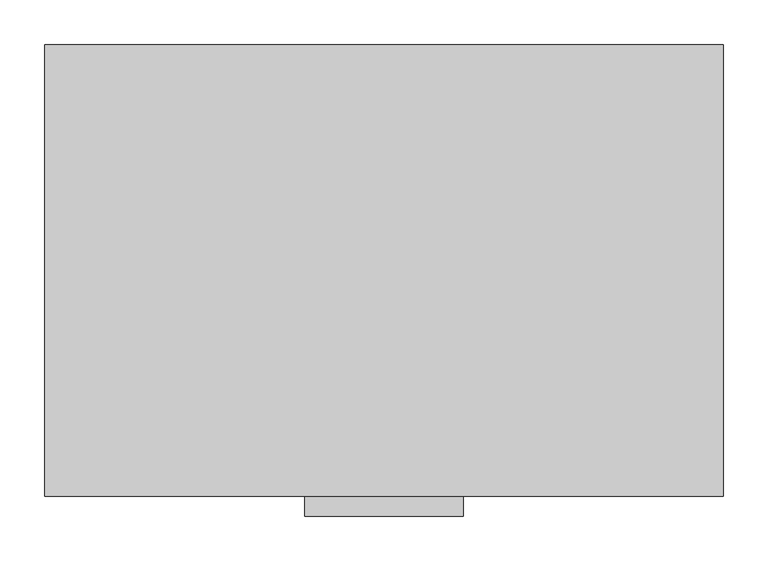
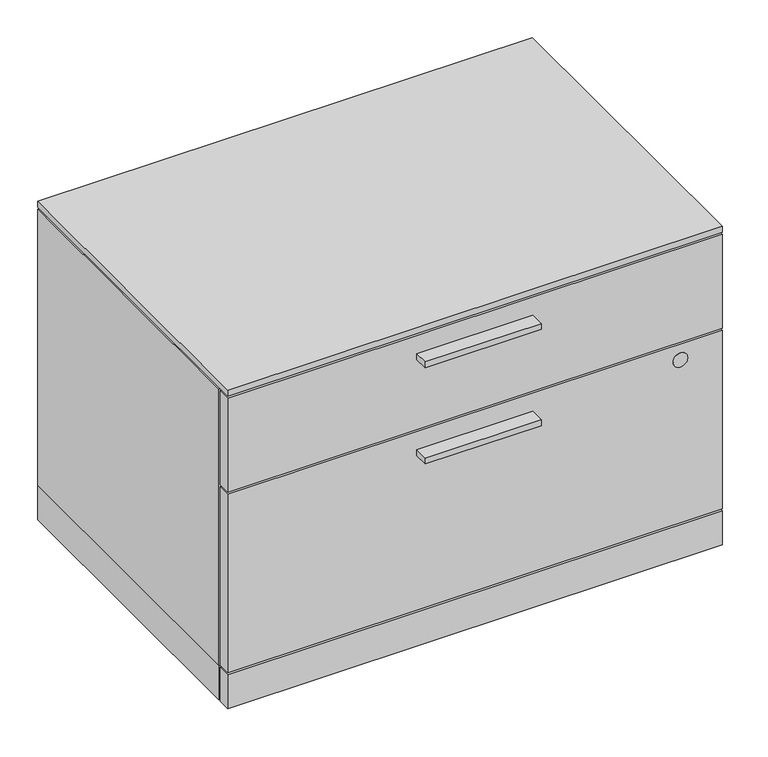
"""IFC4 building model written with IfcOpenShell, lengths in millimetres: furniture geometry."""

from ifc_helpers import new_model, si_unit, point, frame, frame_2d, origin, origin_with_axes, place, context, project, spatial, polyline, circle_curve, trimmed, segment, composite_curve, outline, extrude, source, transform, mapped, element, save


def furniture_84fd7bce(model_context):
    return source(origin(), model_context, "Body", "SweptSolid", [
        extrude(outline(polyline([(469.9, -528.574), (292.1, -528.574), (292.1, -506.349), (469.9, -506.349), (469.9, -528.574)])), frame((0.0, 0.0, 312.1914), z_axis=(0.0, 0.0, 1.0), x_axis=(1.0, 0.0, 0.0)), (0.0, 0.0, 1.0), 9.525),
        extrude(outline(polyline([(469.9, -528.574), (292.1, -528.574), (292.1, -506.349), (469.9, -506.349), (469.9, -528.574)])), frame((0.0, 0.0, 468.1474), z_axis=(0.0, 0.0, 1.0), x_axis=(1.0, 0.0, 0.0)), (0.0, 0.0, 1.0), 9.525),
        extrude(outline(polyline([(760.4125, -1.524), (760.4125, -483.235), (1.5875, -483.235), (1.5875, -1.524), (760.4125, -1.524)])), frame((0.0, 0.0, 3.5814), z_axis=(0.0, 0.0, 1.0), x_axis=(1.0, 0.0, 0.0)), (0.0, 0.0, 1.0), 55.1688),
        extrude(outline(composite_curve([segment(trimmed(circle_curve(frame_2d((326.0344, 696.3283)), 11.176), [point((326.0344, 707.5043))], [point((326.0344, 685.1523))], False, "CARTESIAN"), True, "CONTINUOUS"), segment(trimmed(circle_curve(frame_2d((326.0344, 696.3283)), 11.176), [point((326.0344, 685.1523))], [point((326.0344, 707.5043))], False, "CARTESIAN"), True, "CONTINUOUS")], self_intersect=False)), frame((0.0, -506.603, 0.0), z_axis=(0.0, 1.0, 0.0), x_axis=(0.0, 0.0, 1.0)), (0.0, 0.0, 1.0), 4.69392),
        extrude(outline(polyline([(760.4125, -487.045), (760.4125, -506.349), (1.5875, -506.349), (1.5875, -487.045), (760.4125, -487.045)])), frame((0.0, 0.0, 61.9252), z_axis=(0.0, 0.0, 1.0), x_axis=(1.0, 0.0, 0.0)), (0.0, 0.0, 1.0), 289.5092),
        extrude(outline(polyline([(760.4125, -487.045), (760.4125, -506.349), (1.5875, -506.349), (1.5875, -487.045), (760.4125, -487.045)])), frame((0.0, 0.0, 354.6094), z_axis=(0.0, 0.0, 1.0), x_axis=(1.0, 0.0, 0.0)), (0.0, 0.0, 1.0), 152.781),
        extrude(outline(polyline([(760.4125, -487.045), (760.4125, -506.349), (1.5875, -506.349), (1.5875, -487.045), (760.4125, -487.045)])), frame((0.0, 0.0, 3.5814), z_axis=(0.0, 0.0, 1.0), x_axis=(1.0, 0.0, 0.0)), (0.0, 0.0, 1.0), 55.1688),
        extrude(outline(polyline([(46.1772, -27.7114), (61.8363, -36.7521856), (61.8363, -54.8337568), (46.1772, -63.8745424), (30.5181, -54.8337568), (30.5181, -36.7521856), (46.1772, -27.7114)])), origin_with_axes(), (0.0, 0.0, 1.0), 8.4328),
        extrude(outline(polyline([(46.1772, -480.1616), (30.5181, -471.1208144), (30.5181, -453.0392432), (46.1772, -443.9984576), (61.8363, -453.0392432), (61.8363, -471.1208144), (46.1772, -480.1616)])), origin_with_axes(), (0.0, 0.0, 1.0), 8.4328),
        extrude(outline(polyline([(715.8228, -27.7114), (731.4819, -36.7521856), (731.4819, -54.8337568), (715.8228, -63.8745424), (700.1637, -54.8337568), (700.1637, -36.7521856), (715.8228, -27.7114)])), origin_with_axes(), (0.0, 0.0, 1.0), 8.4328),
        extrude(outline(polyline([(715.8228, -480.1616), (700.1637, -471.1208144), (700.1637, -453.0392432), (715.8228, -443.9984576), (731.4819, -453.0392432), (731.4819, -471.1208144), (715.8228, -480.1616)])), origin_with_axes(), (0.0, 0.0, 1.0), 8.4328),
        extrude(outline(polyline([(760.4125, -506.349), (1.5875, -506.349), (1.5875, -1.524), (760.4125, -1.524), (760.4125, -506.349)])), frame((0.0, 0.0, 510.5654), z_axis=(0.0, 0.0, 1.0), x_axis=(1.0, 0.0, 0.0)), (0.0, 0.0, 1.0), 9.779),
        extrude(outline(polyline([(760.4125, -483.2858), (1.5875, -483.2858), (1.5875, -1.524), (760.4125, -1.524), (760.4125, -483.2858)])), frame((0.0, 0.0, 58.7502), z_axis=(0.0, 0.0, 1.0), x_axis=(1.0, 0.0, 0.0)), (0.0, 0.0, 1.0), 448.6402),
    ])


if __name__ == "__main__":
    model = new_model("IFC4")
    model_context = context("Model", 3, world=origin())
    ifc_project = project(units=[si_unit("LENGTHUNIT", "METRE", prefix="MILLI")], contexts=[model_context])
    site = spatial("IfcSite", under=ifc_project)
    building = spatial("IfcBuilding", under=site)
    placement = place(None, origin())
    furniture_shape = furniture_84fd7bce(model_context)
    element("IfcFurniture", 1, at=placement, inside=building, context=model_context, shape_type="MappedRepresentation", body=[
        mapped(furniture_shape, transform((0.0, 0.0, 0.0), x_axis=(1.0, 0.0, 0.0), y_axis=(0.0, 1.0, 0.0), z_axis=(0.0, 0.0, 1.0))),
    ])
    save(model, "model.ifc")
